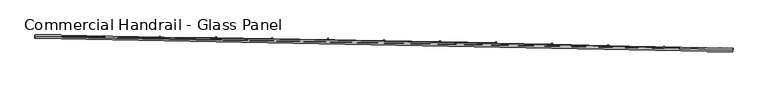
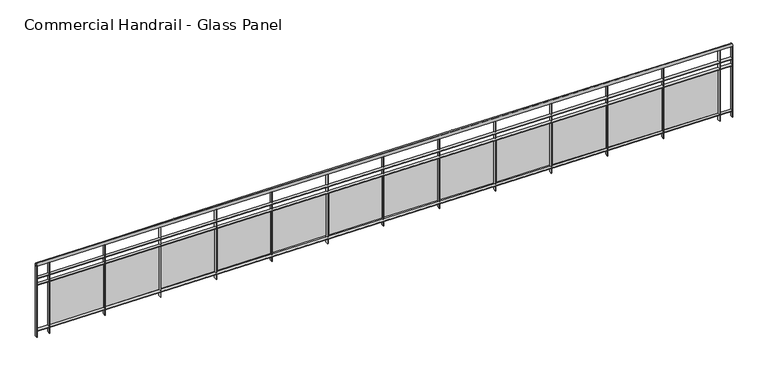
"""IFC4 building model written with IfcOpenShell, lengths in millimetres: railing geometry, Commercial Handrail - Glass Panel."""

from ifc_helpers import new_model, si_unit, point, frame, origin, place, context, project, spatial, polyline, circle_curve, ellipse_curve, trimmed, outline, extrude, source, transform, mapped, element, save
from ifc_brep_helpers import plane_surface, cylinder_surface, revolved_surface, advanced_brep


def commercial_handrail_glass_panel_f22f9965(model_context):
    return source(origin(), model_context, "Body", "SolidModel", [
        advanced_brep(
        [(115522.8517456, -6417.9556233, 19682.5), (105560.2865037, -6227.9309844, 19682.5), (105560.2865037, -6227.9309844, 19717.5), (115522.8517456, -6417.9556233, 19717.5)],
        [
            (0, 1, circle_curve(frame((103082.6311781, -397378.3155465, 19682.5), z_axis=(0.0, 0.0, 1.0), x_axis=(0.006334151056266869, 0.9999799390639776, 0.0)), 391158.2315624)),
            (1, 2, ellipse_curve(frame((105560.2865037, -6227.9309844, 19700.0), z_axis=(0.9999799390639776, -0.0063341510562733554, 0.0), x_axis=(-0.0063341510562733554, -0.9999799390639776, 0.0)), 25.0, 17.5)),
            (2, 3, circle_curve(frame((103082.6311781, -397378.3155465, 19717.5), z_axis=(0.0, 0.0, -1.0), x_axis=(0.006334151056266869, 0.9999799390639776, 0.0)), 391158.2315624)),
            (3, 0, ellipse_curve(frame((115522.8517456, -6417.9556233, 19700.0), z_axis=(-0.9994941391404732, 0.031803550491167454, 0.0), x_axis=(-0.031803550491167454, -0.9994941391404732, 0.0)), 25.0, 17.5)),
            (2, 1, ellipse_curve(frame((105560.2865037, -6227.9309844, 19700.0), z_axis=(0.9999799390639776, -0.0063341510562733554, 0.0), x_axis=(-0.0063341510562733554, -0.9999799390639776, 0.0)), 25.0, 17.5)),
            (0, 3, ellipse_curve(frame((115522.8517456, -6417.9556233, 19700.0), z_axis=(-0.9994941391404732, 0.031803550491167454, 0.0), x_axis=(-0.031803550491167454, -0.9994941391404732, 0.0)), 25.0, 17.5)),
        ],
        [
            revolved_surface(trimmed(ellipse_curve(frame((105560.2865037, -6227.9309844, 19700.0), z_axis=(-0.9999799390639776, 0.006334151056266869, 0.0), x_axis=(0.0, 0.0, -1.0)), 17.5, 25.0), [point((105560.2865037, -6227.9309844, 19717.5))], [point((105560.2865037, -6227.9309844, 19682.5))], True, "CARTESIAN"), (103082.6311781, -397378.3155465, 19700.0), (0.0, 0.0, -1.0)),
            revolved_surface(trimmed(ellipse_curve(frame((105560.2865037, -6227.9309844, 19700.0), z_axis=(-0.9999799390639776, 0.006334151056266869, 0.0), x_axis=(0.0, 0.0, -1.0)), 17.5, 25.0), [point((105560.2865037, -6227.9309844, 19682.5))], [point((105560.2865037, -6227.9309844, 19717.5))], True, "CARTESIAN"), (103082.6311781, -397378.3155465, 19700.0), (0.0, 0.0, -1.0)),
            plane_surface(frame((105560.2865037, -6227.9309844, 19700.0), z_axis=(-0.9999799390639776, 0.006334151056266869, 0.0), x_axis=(0.006334151056266869, 0.9999799390639776, 0.0))),
            plane_surface(frame((115522.8517456, -6417.9556233, 19700.0), z_axis=(0.9994941391404732, -0.031803550491167405, 0.0), x_axis=(0.031803550491167405, 0.9994941391404732, 0.0))),
        ],
        [
            (0, [[1, 2, 3, 4]]),
            (1, [[-3, 5, -1, 6]]),
            (2, [[-2, -5]]),
            (3, [[-6, -4]]),
        ],
    ),
        advanced_brep(
        [(115523.5673255, -6395.4670052, 19500.0), (105560.4290221, -6205.4314357, 19500.0), (105560.1439853, -6250.430533, 19500.0), (115522.1361657, -6440.4442415, 19500.0), (115523.5673255, -6395.4670052, 19494.0), (105560.4290221, -6205.4314357, 19494.0), (115522.1361657, -6440.4442415, 19494.0), (105560.1439853, -6250.430533, 19494.0)],
        [
            (0, 1, circle_curve(frame((103082.6311781, -397378.3155465, 19500.0), z_axis=(0.0, 0.0, 1.0), x_axis=(0.006334151056266869, 0.9999799390639776, 0.0)), 391180.7315624)),
            (1, 2),
            (2, 3, circle_curve(frame((103082.6311781, -397378.3155465, 19500.0), z_axis=(0.0, 0.0, -1.0), x_axis=(0.006334151056266869, 0.9999799390639776, 0.0)), 391135.7315624)),
            (3, 0),
            (4, 5, circle_curve(frame((103082.6311781, -397378.3155465, 19494.0), z_axis=(0.0, 0.0, 1.0), x_axis=(0.006334151056266869, 0.9999799390639776, 0.0)), 391180.7315624)),
            (5, 1),
            (0, 4),
            (6, 7, circle_curve(frame((103082.6311781, -397378.3155465, 19494.0), z_axis=(0.0, 0.0, 1.0), x_axis=(0.006334151056266869, 0.9999799390639776, 0.0)), 391135.7315624)),
            (7, 5),
            (4, 6),
            (2, 7),
            (6, 3),
        ],
        [
            plane_surface(frame((103082.6311781, -397378.3155465, 19500.0), z_axis=(0.0, 0.0, 1.0), x_axis=(0.006334151056266869, 0.9999799390639776, 0.0))),
            cylinder_surface(frame((103082.6311781, -397378.3155465, 19500.0), z_axis=(0.0, 0.0, -1.0), x_axis=(0.006334151056266869, 0.9999799390639776, 0.0)), 391180.7315624),
            plane_surface(frame((103082.6311781, -397378.3155465, 19494.0), z_axis=(0.0, 0.0, -1.0), x_axis=(0.006334151056266869, 0.9999799390639776, 0.0))),
            revolved_surface(polyline([(105560.1439853197, -6250.43053298688, 19494.0), (105560.1439853197, -6250.43053298688, 19500.0)]), (103082.6311781, -397378.3155465, 19500.0), (0.0, 0.0, -1.0)),
            plane_surface(frame((105560.2865037, -6227.9309844, 19500.0), z_axis=(-0.9999799390639776, 0.006334151056266869, 0.0), x_axis=(0.006334151056266869, 0.9999799390639776, 0.0))),
            plane_surface(frame((115522.8517456, -6417.9556233, 19500.0), z_axis=(0.9994941391404732, -0.031803550491167405, 0.0), x_axis=(0.031803550491167405, 0.9994941391404732, 0.0))),
        ],
        [
            (0, [[1, 2, 3, 4]]),
            (1, [[5, 6, -1, 7]]),
            (2, [[8, 9, -5, 10]]),
            (3, [[-3, 11, -8, 12]]),
            (4, [[-2, -6, -9, -11]]),
            (5, [[-12, -10, -7, -4]]),
        ],
    ),
        advanced_brep(
        [(115523.5673255, -6395.4670052, 19400.0), (105560.4290221, -6205.4314357, 19400.0), (105560.1439853, -6250.430533, 19400.0), (115522.1361657, -6440.4442415, 19400.0), (115523.5673255, -6395.4670052, 19394.0), (105560.4290221, -6205.4314357, 19394.0), (115522.1361657, -6440.4442415, 19394.0), (105560.1439853, -6250.430533, 19394.0)],
        [
            (0, 1, circle_curve(frame((103082.6311781, -397378.3155465, 19400.0), z_axis=(0.0, 0.0, 1.0), x_axis=(0.006334151056266869, 0.9999799390639776, 0.0)), 391180.7315624)),
            (1, 2),
            (2, 3, circle_curve(frame((103082.6311781, -397378.3155465, 19400.0), z_axis=(0.0, 0.0, -1.0), x_axis=(0.006334151056266869, 0.9999799390639776, 0.0)), 391135.7315624)),
            (3, 0),
            (4, 5, circle_curve(frame((103082.6311781, -397378.3155465, 19394.0), z_axis=(0.0, 0.0, 1.0), x_axis=(0.006334151056266869, 0.9999799390639776, 0.0)), 391180.7315624)),
            (5, 1),
            (0, 4),
            (6, 7, circle_curve(frame((103082.6311781, -397378.3155465, 19394.0), z_axis=(0.0, 0.0, 1.0), x_axis=(0.006334151056266869, 0.9999799390639776, 0.0)), 391135.7315624)),
            (7, 5),
            (4, 6),
            (2, 7),
            (6, 3),
        ],
        [
            plane_surface(frame((103082.6311781, -397378.3155465, 19400.0), z_axis=(0.0, 0.0, 1.0), x_axis=(0.006334151056266869, 0.9999799390639776, 0.0))),
            cylinder_surface(frame((103082.6311781, -397378.3155465, 19400.0), z_axis=(0.0, 0.0, -1.0), x_axis=(0.006334151056266869, 0.9999799390639776, 0.0)), 391180.7315624),
            plane_surface(frame((103082.6311781, -397378.3155465, 19394.0), z_axis=(0.0, 0.0, -1.0), x_axis=(0.006334151056266869, 0.9999799390639776, 0.0))),
            revolved_surface(polyline([(105560.1439853197, -6250.43053298688, 19394.0), (105560.1439853197, -6250.43053298688, 19400.0)]), (103082.6311781, -397378.3155465, 19400.0), (0.0, 0.0, -1.0)),
            plane_surface(frame((105560.2865037, -6227.9309844, 19400.0), z_axis=(-0.9999799390639776, 0.006334151056266869, 0.0), x_axis=(0.006334151056266869, 0.9999799390639776, 0.0))),
            plane_surface(frame((115522.8517456, -6417.9556233, 19400.0), z_axis=(0.9994941391404732, -0.031803550491167405, 0.0), x_axis=(0.031803550491167405, 0.9994941391404732, 0.0))),
        ],
        [
            (0, [[1, 2, 3, 4]]),
            (1, [[5, 6, -1, 7]]),
            (2, [[8, 9, -5, 10]]),
            (3, [[-3, 11, -8, 12]]),
            (4, [[-2, -6, -9, -11]]),
            (5, [[-12, -10, -7, -4]]),
        ],
    ),
        advanced_brep(
        [(115523.5673255, -6395.4670052, 18700.0), (105560.4290221, -6205.4314357, 18700.0), (105560.1439853, -6250.430533, 18700.0), (115522.1361657, -6440.4442415, 18700.0), (115523.5673255, -6395.4670052, 18694.0), (105560.4290221, -6205.4314357, 18694.0), (115522.1361657, -6440.4442415, 18694.0), (105560.1439853, -6250.430533, 18694.0)],
        [
            (0, 1, circle_curve(frame((103082.6311781, -397378.3155465, 18700.0), z_axis=(0.0, 0.0, 1.0), x_axis=(0.006334151056266869, 0.9999799390639776, 0.0)), 391180.7315624)),
            (1, 2),
            (2, 3, circle_curve(frame((103082.6311781, -397378.3155465, 18700.0), z_axis=(0.0, 0.0, -1.0), x_axis=(0.006334151056266869, 0.9999799390639776, 0.0)), 391135.7315624)),
            (3, 0),
            (4, 5, circle_curve(frame((103082.6311781, -397378.3155465, 18694.0), z_axis=(0.0, 0.0, 1.0), x_axis=(0.006334151056266869, 0.9999799390639776, 0.0)), 391180.7315624)),
            (5, 1),
            (0, 4),
            (6, 7, circle_curve(frame((103082.6311781, -397378.3155465, 18694.0), z_axis=(0.0, 0.0, 1.0), x_axis=(0.006334151056266869, 0.9999799390639776, 0.0)), 391135.7315624)),
            (7, 5),
            (4, 6),
            (2, 7),
            (6, 3),
        ],
        [
            plane_surface(frame((103082.6311781, -397378.3155465, 18700.0), z_axis=(0.0, 0.0, 1.0), x_axis=(0.006334151056266869, 0.9999799390639776, 0.0))),
            cylinder_surface(frame((103082.6311781, -397378.3155465, 18700.0), z_axis=(0.0, 0.0, -1.0), x_axis=(0.006334151056266869, 0.9999799390639776, 0.0)), 391180.7315624),
            plane_surface(frame((103082.6311781, -397378.3155465, 18694.0), z_axis=(0.0, 0.0, -1.0), x_axis=(0.006334151056266869, 0.9999799390639776, 0.0))),
            revolved_surface(polyline([(105560.1439853197, -6250.43053298688, 18694.0), (105560.1439853197, -6250.43053298688, 18700.0)]), (103082.6311781, -397378.3155465, 18700.0), (0.0, 0.0, -1.0)),
            plane_surface(frame((105560.2865037, -6227.9309844, 18700.0), z_axis=(-0.9999799390639776, 0.006334151056266869, 0.0), x_axis=(0.006334151056266869, 0.9999799390639776, 0.0))),
            plane_surface(frame((115522.8517456, -6417.9556233, 18700.0), z_axis=(0.9994941391404732, -0.031803550491167405, 0.0), x_axis=(0.031803550491167405, 0.9994941391404732, 0.0))),
        ],
        [
            (0, [[1, 2, 3, 4]]),
            (1, [[5, 6, -1, 7]]),
            (2, [[8, 9, -5, 10]]),
            (3, [[-3, 11, -8, 12]]),
            (4, [[-2, -6, -9, -11]]),
            (5, [[-12, -10, -7, -4]]),
        ],
    ),
        extrude(outline(polyline([(115336.915621, -6434.5944988), (115338.3258162, -6389.6166003), (115344.3228693, -6389.8046263), (115342.9126741, -6434.7825248), (115336.915621, -6434.5944988)])), frame((0.0, 0.0, 18600.0), z_axis=(0.0, 0.0, 1.0), x_axis=(1.0, 0.0, 0.0)), (0.0, 0.0, 1.0), 1082.1192282),
        extrude(outline(polyline([(114561.1659135, -6382.3517641), (115320.8166008, -6405.3915845), (115320.4528141, -6417.3860691), (114560.8021269, -6394.3462486), (114561.1659135, -6382.3517641)])), frame((0.0, 0.0, 18720.0), z_axis=(0.0, 0.0, 1.0), x_axis=(1.0, 0.0, 0.0)), (0.0, 0.0, 1.0), 660.0),
        extrude(outline(polyline([(114537.329268, -6410.3495883), (114538.6474712, -6365.3688997), (114544.6448963, -6365.5446602), (114543.3266931, -6410.5253487), (114537.329268, -6410.3495883)])), frame((0.0, 0.0, 18600.0), z_axis=(0.0, 0.0, 1.0), x_axis=(1.0, 0.0, 0.0)), (0.0, 0.0, 1.0), 1082.1192282),
        extrude(outline(polyline([(113761.4743357, -6359.6935314), (114521.1705554, -6381.1796609), (114520.8313008, -6393.1748644), (113761.1350811, -6371.6887348), (113761.4743357, -6359.6935314)])), frame((0.0, 0.0, 18720.0), z_axis=(0.0, 0.0, 1.0), x_axis=(1.0, 0.0, 0.0)), (0.0, 0.0, 1.0), 660.0),
        extrude(outline(polyline([(113737.6950014, -6387.7400478), (113738.921207, -6342.7567574), (113744.9189791, -6342.9202515), (113743.6927735, -6387.9035419), (113737.6950014, -6387.7400478)])), frame((0.0, 0.0, 18600.0), z_axis=(0.0, 0.0, 1.0), x_axis=(1.0, 0.0, 0.0)), (0.0, 0.0, 1.0), 1082.1192282),
        extrude(outline(polyline([(112961.7380897, -6338.6708806), (113721.4766641, -6358.6032294), (113721.1619428, -6370.5991017), (112961.4233684, -6350.6667528), (112961.7380897, -6338.6708806)])), frame((0.0, 0.0, 18720.0), z_axis=(0.0, 0.0, 1.0), x_axis=(1.0, 0.0, 0.0)), (0.0, 0.0, 1.0), 660.0),
        extrude(outline(polyline([(112938.0161661, -6366.7659721), (112939.150369, -6321.7802679), (112945.1484629, -6321.9314949), (112944.0142599, -6366.9171991), (112938.0161661, -6366.7659721)])), frame((0.0, 0.0, 18600.0), z_axis=(0.0, 0.0, 1.0), x_axis=(1.0, 0.0, 0.0)), (0.0, 0.0, 1.0), 1082.1192282),
        extrude(outline(polyline([(112161.9605206, -6319.2838998), (112921.7382719, -6337.6623845), (112921.4480853, -6349.6588753), (112161.670334, -6331.2803906), (112161.9605206, -6319.2838998)])), frame((0.0, 0.0, 18720.0), z_axis=(0.0, 0.0, 1.0), x_axis=(1.0, 0.0, 0.0)), (0.0, 0.0, 1.0), 660.0),
        extrude(outline(polyline([(112138.2961068, -6347.4274487), (112139.3383023, -6302.4395189), (112145.3366929, -6302.5784783), (112144.2944975, -6347.5664081), (112138.2961068, -6347.4274487)])), frame((0.0, 0.0, 18600.0), z_axis=(0.0, 0.0, 1.0), x_axis=(1.0, 0.0, 0.0)), (0.0, 0.0, 1.0), 1082.1192282),
        extrude(outline(polyline([(111362.1449738, -6301.5326699), (112121.9587238, -6318.3572136), (112121.6930731, -6330.3542728), (111361.8793231, -6313.5297291), (111362.1449738, -6301.5326699)])), frame((0.0, 0.0, 18720.0), z_axis=(0.0, 0.0, 1.0), x_axis=(1.0, 0.0, 0.0)), (0.0, 0.0, 1.0), 660.0),
        extrude(outline(polyline([(111338.5381689, -6329.7245586), (111339.4883526, -6284.7345914), (111345.4870149, -6284.8612825), (111344.5368312, -6329.8512498), (111338.5381689, -6329.7245586)])), frame((0.0, 0.0, 18600.0), z_axis=(0.0, 0.0, 1.0), x_axis=(1.0, 0.0, 0.0)), (0.0, 0.0, 1.0), 1082.1192282),
        extrude(outline(polyline([(110562.2947948, -6285.4172653), (111322.1413654, -6300.6877976), (111321.9002518, -6312.6853751), (110562.0536812, -6297.4148427), (110562.2947948, -6285.4172653)])), frame((0.0, 0.0, 18720.0), z_axis=(0.0, 0.0, 1.0), x_axis=(1.0, 0.0, 0.0)), (0.0, 0.0, 1.0), 660.0),
        extrude(outline(polyline([(110538.7456975, -6313.6573759), (110539.6038654, -6268.6655594), (110545.6027743, -6268.7799818), (110544.7446064, -6313.7717982), (110538.7456975, -6313.6573759)])), frame((0.0, 0.0, 18600.0), z_axis=(0.0, 0.0, 1.0), x_axis=(1.0, 0.0, 0.0)), (0.0, 0.0, 1.0), 1082.1192282),
        extrude(outline(polyline([(109762.4133294, -6270.9377534), (110522.2895422, -6284.6542105), (110522.0729666, -6296.6522559), (109762.1967537, -6282.9357988), (109762.4133294, -6270.9377534)])), frame((0.0, 0.0, 18720.0), z_axis=(0.0, 0.0, 1.0), x_axis=(1.0, 0.0, 0.0)), (0.0, 0.0, 1.0), 660.0),
        extrude(outline(polyline([(109738.9220382, -6299.2259676), (109739.6881867, -6254.2324901), (109745.6873171, -6254.3346433), (109744.9211685, -6299.3281208), (109738.9220382, -6299.2259676)])), frame((0.0, 0.0, 18600.0), z_axis=(0.0, 0.0, 1.0), x_axis=(1.0, 0.0, 0.0)), (0.0, 0.0, 1.0), 1082.1192282),
        extrude(outline(polyline([(108962.5039232, -6258.0941947), (109722.4065998, -6270.2565191), (109722.2145631, -6282.2549825), (108962.3118865, -6270.092658), (108962.5039232, -6258.0941947)])), frame((0.0, 0.0, 18720.0), z_axis=(0.0, 0.0, 1.0), x_axis=(1.0, 0.0, 0.0)), (0.0, 0.0, 1.0), 660.0),
        extrude(outline(polyline([(108939.0705364, -6286.4303943), (108939.7446624, -6241.435444), (108945.7439891, -6241.5253275), (108945.0698631, -6286.5202778), (108939.0705364, -6286.4303943)])), frame((0.0, 0.0, 18600.0), z_axis=(0.0, 0.0, 1.0), x_axis=(1.0, 0.0, 0.0)), (0.0, 0.0, 1.0), 1082.1192282),
        extrude(outline(polyline([(108162.5699223, -6246.8866429), (108922.495884, -6257.4947839), (108922.3283871, -6269.4936149), (108162.4024253, -6258.8854739), (108162.5699223, -6246.8866429)])), frame((0.0, 0.0, 18720.0), z_axis=(0.0, 0.0, 1.0), x_axis=(1.0, 0.0, 0.0)), (0.0, 0.0, 1.0), 660.0),
        extrude(outline(polyline([(108139.1945379, -6275.2707094), (108139.7766385, -6230.2744745), (108145.7761365, -6230.3520879), (108145.1940359, -6275.3483228), (108139.1945379, -6275.2707094)])), frame((0.0, 0.0, 18600.0), z_axis=(0.0, 0.0, 1.0), x_axis=(1.0, 0.0, 0.0)), (0.0, 0.0, 1.0), 1082.1192282),
        extrude(outline(polyline([(107362.6146726, -6237.315145), (108122.5607409, -6246.3690581), (108122.4177843, -6258.3682066), (107362.4717161, -6249.3142934), (107362.6146726, -6237.315145)])), frame((0.0, 0.0, 18720.0), z_axis=(0.0, 0.0, 1.0), x_axis=(1.0, 0.0, 0.0)), (0.0, 0.0, 1.0), 660.0),
        extrude(outline(polyline([(107339.2973884, -6265.7469596), (107339.7874611, -6220.7496283), (107345.7871053, -6220.8149713), (107345.2970326, -6265.8123027), (107339.2973884, -6265.7469596)])), frame((0.0, 0.0, 18600.0), z_axis=(0.0, 0.0, 1.0), x_axis=(1.0, 0.0, 0.0)), (0.0, 0.0, 1.0), 1082.1192282),
        extrude(outline(polyline([(106562.6415203, -6229.3797409), (107322.6045163, -6236.8793883), (107322.4861008, -6248.878804), (106562.5231048, -6241.3791567), (106562.6415203, -6229.3797409)])), frame((0.0, 0.0, 18720.0), z_axis=(0.0, 0.0, 1.0), x_axis=(1.0, 0.0, 0.0)), (0.0, 0.0, 1.0), 660.0),
        extrude(outline(polyline([(106539.3824338, -6257.8591848), (106539.7804767, -6212.8609452), (106545.7802419, -6212.9140176), (106545.382199, -6257.9122572), (106539.3824338, -6257.8591848)])), frame((0.0, 0.0, 18600.0), z_axis=(0.0, 0.0, 1.0), x_axis=(1.0, 0.0, 0.0)), (0.0, 0.0, 1.0), 1082.1192282),
        extrude(outline(polyline([(105762.6538115, -6223.080464), (106522.6305564, -6229.0258142), (106522.5366825, -6241.025447), (105762.5599376, -6235.0800968), (105762.6538115, -6223.080464)])), frame((0.0, 0.0, 18720.0), z_axis=(0.0, 0.0, 1.0), x_axis=(1.0, 0.0, 0.0)), (0.0, 0.0, 1.0), 660.0),
        extrude(outline(polyline([(105739.45302, -6251.6074179), (105739.7590314, -6206.6084583), (105745.7588926, -6206.6492599), (105745.4528813, -6251.6482194), (105739.45302, -6251.6074179)])), frame((0.0, 0.0, 18600.0), z_axis=(0.0, 0.0, 1.0), x_axis=(1.0, 0.0, 0.0)), (0.0, 0.0, 1.0), 1082.1192282),
        extrude(outline(polyline([(115519.1376833, -6440.3488308), (115520.5688431, -6395.3715946), (115526.5658079, -6395.5624159), (115525.1346482, -6440.5396521), (115519.1376833, -6440.3488308)])), frame((0.0, 0.0, 18600.0), z_axis=(0.0, 0.0, 1.0), x_axis=(1.0, 0.0, 0.0)), (0.0, 0.0, 1.0), 1082.1192282),
        extrude(outline(polyline([(105557.1440455, -6250.4115305), (105557.4290823, -6205.4124333), (105563.4289619, -6205.4504382), (105563.1439251, -6250.4495354), (105557.1440455, -6250.4115305)])), frame((0.0, 0.0, 18600.0), z_axis=(0.0, 0.0, 1.0), x_axis=(1.0, 0.0, 0.0)), (0.0, 0.0, 1.0), 1082.1192282),
    ])


if __name__ == "__main__":
    model = new_model("IFC4")
    model_context = context("Model", 3, world=origin())
    ifc_project = project(units=[si_unit("LENGTHUNIT", "METRE", prefix="MILLI")], contexts=[model_context])
    site = spatial("IfcSite", under=ifc_project)
    building = spatial("IfcBuilding", under=site)
    placement = place(None, origin())
    commercial_handrail_glass_panel_shape = commercial_handrail_glass_panel_f22f9965(model_context)
    element("IfcRailing", 1, ObjectType="Commercial Handrail - Glass Panel", at=placement, inside=building, context=model_context, shape_type="MappedRepresentation", body=[
        mapped(commercial_handrail_glass_panel_shape, transform((0.0, 0.0, 0.0), x_axis=(1.0, 0.0, 0.0), y_axis=(0.0, 1.0, 0.0), z_axis=(0.0, 0.0, 1.0))),
    ])
    save(model, "model.ifc")
